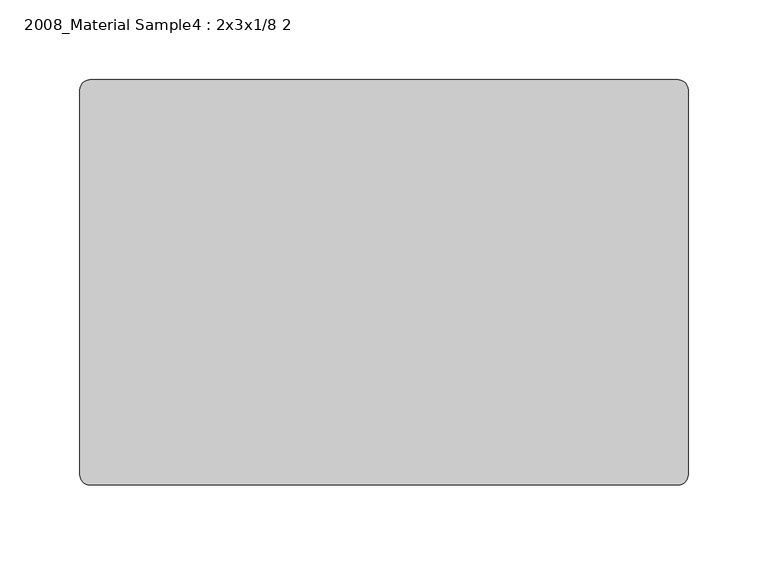
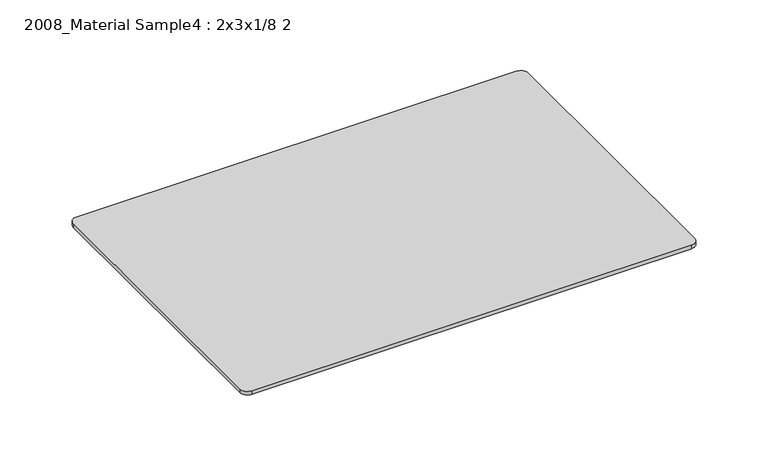
"""IFC4 building model written with IfcOpenShell, lengths in millimetres: furniture geometry, 2008_Material Sample4 : 2x3x1/8 2."""

from ifc_helpers import new_model, si_unit, point, frame, frame_2d, origin, place, context, project, spatial, polyline, circle_curve, trimmed, segment, composite_curve, outline, extrude, source, transform, mapped, element, save


def furniture_2008_material_sample4_2x3x1_8_2_96bf408c(model_context):
    return source(origin(), model_context, "Body", "SweptSolid", [
        extrude(outline(composite_curve([segment(trimmed(circle_curve(frame_2d((21215.2392185, 10811.8982463)), 6.35), [point((21215.2392185, 10818.2482463))], [point((21221.5892185, 10811.8982463))], False, "CARTESIAN"), True, "CONTINUOUS"), segment(polyline([(21221.5892185, 10811.8982463), (21221.5892185, 10570.5982463)]), True, "CONTINUOUS"), segment(trimmed(circle_curve(frame_2d((21215.2392185, 10570.5982463)), 6.35), [point((21221.5892185, 10570.5982463))], [point((21215.2392185, 10564.2482463))], False, "CARTESIAN"), True, "CONTINUOUS"), segment(polyline([(21215.2392185, 10564.2482463), (20846.9392185, 10564.2482463)]), True, "CONTINUOUS"), segment(trimmed(circle_curve(frame_2d((20846.9392185, 10570.5982463)), 6.35), [point((20846.9392185, 10564.2482463))], [point((20840.5892185, 10570.5982463))], False, "CARTESIAN"), True, "CONTINUOUS"), segment(polyline([(20840.5892185, 10570.5982463), (20840.5892185, 10811.8982463)]), True, "CONTINUOUS"), segment(trimmed(circle_curve(frame_2d((20846.9392185, 10811.8982463)), 6.35), [point((20840.5892185, 10811.8982463))], [point((20846.9392185, 10818.2482463))], False, "CARTESIAN"), True, "CONTINUOUS"), segment(polyline([(20846.9392185, 10818.2482463), (21215.2392185, 10818.2482463)]), True, "CONTINUOUS")], self_intersect=False)), frame((0.0, 0.0, -3.175), z_axis=(0.0, 0.0, 1.0), x_axis=(1.0, 0.0, 0.0)), (0.0, 0.0, 1.0), 3.175),
    ])


if __name__ == "__main__":
    model = new_model("IFC4")
    model_context = context("Model", 3, world=origin())
    ifc_project = project(units=[si_unit("LENGTHUNIT", "METRE", prefix="MILLI")], contexts=[model_context])
    site = spatial("IfcSite", under=ifc_project)
    building = spatial("IfcBuilding", under=site)
    placement = place(None, origin())
    furniture_2008_material_sample4_2x3x1_8_2_shape = furniture_2008_material_sample4_2x3x1_8_2_96bf408c(model_context)
    element("IfcFurniture", 1, ObjectType="2008_Material Sample4 : 2x3x1/8 2", at=placement, inside=building, context=model_context, shape_type="MappedRepresentation", body=[
        mapped(furniture_2008_material_sample4_2x3x1_8_2_shape, transform((0.0, 0.0, 0.0), x_axis=(1.0, 0.0, 0.0), y_axis=(0.0, 1.0, 0.0), z_axis=(0.0, 0.0, 1.0))),
    ])
    save(model, "model.ifc")
